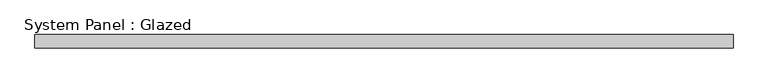
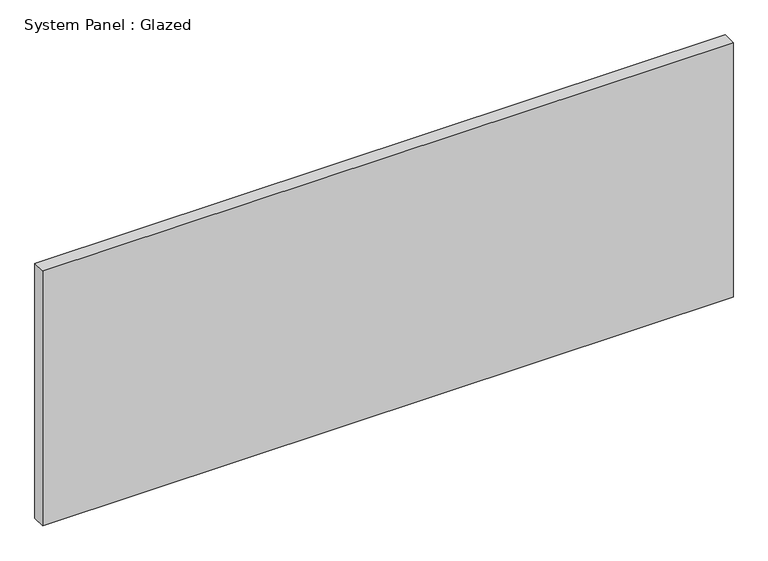
"""IFC4 building model written with IfcOpenShell, lengths in millimetres: plate geometry, System Panel : Glazed."""

from ifc_helpers import new_model, si_unit, origin, origin_with_axes, place, context, project, spatial, polyline, outline, extrude, source, transform, mapped, element, save


def system_panel_glazed_a0f7a952(model_context):
    return source(origin(), model_context, "Body", "SweptSolid", [
        extrude(outline(polyline([(658.8125, -44.45), (-658.8125, -44.45), (-658.8125, -19.05), (658.8125, -19.05), (658.8125, -44.45)])), origin_with_axes(), (0.0, 0.0, 1.0), 514.35),
    ])


if __name__ == "__main__":
    model = new_model("IFC4")
    model_context = context("Model", 3, world=origin())
    ifc_project = project(units=[si_unit("LENGTHUNIT", "METRE", prefix="MILLI")], contexts=[model_context])
    site = spatial("IfcSite", under=ifc_project)
    building = spatial("IfcBuilding", under=site)
    placement = place(None, origin())
    system_panel_glazed_shape = system_panel_glazed_a0f7a952(model_context)
    element("IfcPlate", 1, ObjectType="System Panel : Glazed", at=placement, inside=building, context=model_context, shape_type="MappedRepresentation", body=[
        mapped(system_panel_glazed_shape, transform((0.0, 0.0, 0.0), x_axis=(1.0, 0.0, 0.0), y_axis=(0.0, 1.0, 0.0), z_axis=(0.0, 0.0, 1.0))),
    ])
    save(model, "model.ifc")
